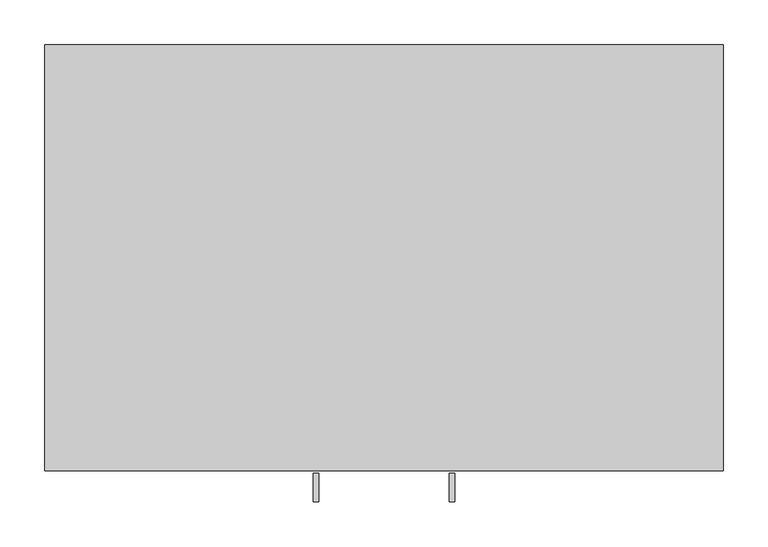
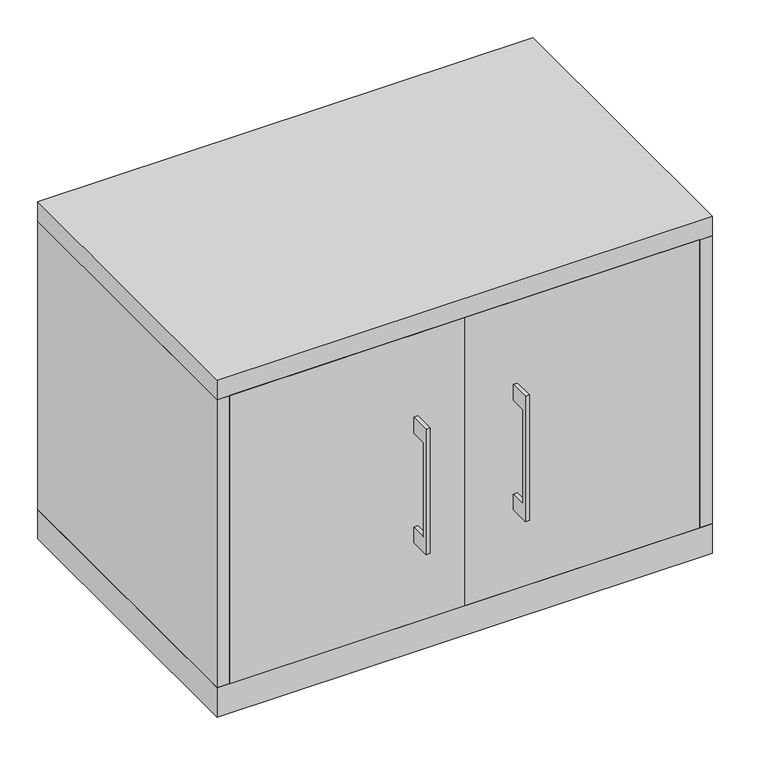
"""IFC4 building model written with IfcOpenShell, lengths in millimetres: furniture geometry."""

from ifc_helpers import new_model, si_unit, frame, origin, origin_with_axes, place, context, project, spatial, polyline, outline, extrude, source, transform, mapped, element, save


def furniture_0f2e534a(model_context):
    return source(origin(), model_context, "Body", "SweptSolid", [
        extrude(outline(polyline([(-479.425, 357.1875), (-504.8249758, 357.1875), (-504.8249758, 204.7875), (-479.425, 204.7875), (-479.425, 179.3875), (-511.1749879, 179.3875), (-511.1749879, 382.5875), (-479.425, 382.5875), (-479.425, 357.1875)])), frame((-79.3749879, 0.0, 0.0), z_axis=(1.0, 0.0, 0.0), x_axis=(0.0, 1.0, 0.0)), (0.0, 0.0, 1.0), 6.3499758),
        extrude(outline(polyline([(-360.3625, -476.25), (-360.3625, -457.2), (0.0, -457.2), (0.0, -476.25), (-360.3625, -476.25)])), frame((0.0, 0.0, 47.625), z_axis=(0.0, 0.0, 1.0), x_axis=(1.0, 0.0, 0.0)), (0.0, 0.0, 1.0), 466.725),
        extrude(outline(polyline([(-479.425, 357.1875), (-504.8249758, 357.1875), (-504.8249758, 204.7875), (-479.425, 204.7875), (-479.425, 179.3875), (-511.1749879, 179.3875), (-511.1749879, 382.5875), (-479.425, 382.5875), (-479.425, 357.1875)])), frame((73.0250121, 0.0, 0.0), z_axis=(1.0, 0.0, 0.0), x_axis=(0.0, 1.0, 0.0)), (0.0, 0.0, 1.0), 6.3499758),
        extrude(outline(polyline([(360.3625, -476.25), (0.0, -476.25), (0.0, -457.2), (360.3625, -457.2), (360.3625, -476.25)])), frame((0.0, 0.0, 47.625), z_axis=(0.0, 0.0, 1.0), x_axis=(1.0, 0.0, 0.0)), (0.0, 0.0, 1.0), 466.725),
        extrude(outline(polyline([(360.3625, -19.05), (360.3625, -457.2), (-360.3625, -457.2), (-360.3625, -19.05), (360.3625, -19.05)])), frame((0.0, 0.0, 271.4625), z_axis=(0.0, 0.0, 1.0), x_axis=(1.0, 0.0, 0.0)), (0.0, 0.0, 1.0), 19.05),
        extrude(outline(polyline([(379.4125, 0.0), (379.4125, -476.25), (-379.4125, -476.25), (-379.4125, 0.0), (379.4125, 0.0)])), origin_with_axes(), (0.0, 0.0, 1.0), 47.625),
        extrude(outline(polyline([(379.4125, 0.0), (379.4125, -476.25), (-379.4125, -476.25), (-379.4125, 0.0), (379.4125, 0.0)])), frame((0.0, 0.0, 514.35), z_axis=(0.0, 0.0, 1.0), x_axis=(1.0, 0.0, 0.0)), (0.0, 0.0, 1.0), 31.75),
        extrude(outline(polyline([(379.4125, 0.0), (379.4125, -476.25), (360.3625, -476.25), (360.3625, -19.05), (-360.3625, -19.05), (-360.3625, -476.25), (-379.4125, -476.25), (-379.4125, 0.0), (379.4125, 0.0)])), frame((0.0, 0.0, 47.625), z_axis=(0.0, 0.0, 1.0), x_axis=(1.0, 0.0, 0.0)), (0.0, 0.0, 1.0), 466.725),
    ])


if __name__ == "__main__":
    model = new_model("IFC4")
    model_context = context("Model", 3, world=origin())
    ifc_project = project(units=[si_unit("LENGTHUNIT", "METRE", prefix="MILLI")], contexts=[model_context])
    site = spatial("IfcSite", under=ifc_project)
    building = spatial("IfcBuilding", under=site)
    placement = place(None, origin())
    furniture_shape = furniture_0f2e534a(model_context)
    element("IfcFurniture", 1, at=placement, inside=building, context=model_context, shape_type="MappedRepresentation", body=[
        mapped(furniture_shape, transform((0.0, 0.0, 0.0), x_axis=(1.0, 0.0, 0.0), y_axis=(0.0, 1.0, 0.0), z_axis=(0.0, 0.0, 1.0))),
    ])
    save(model, "model.ifc")
